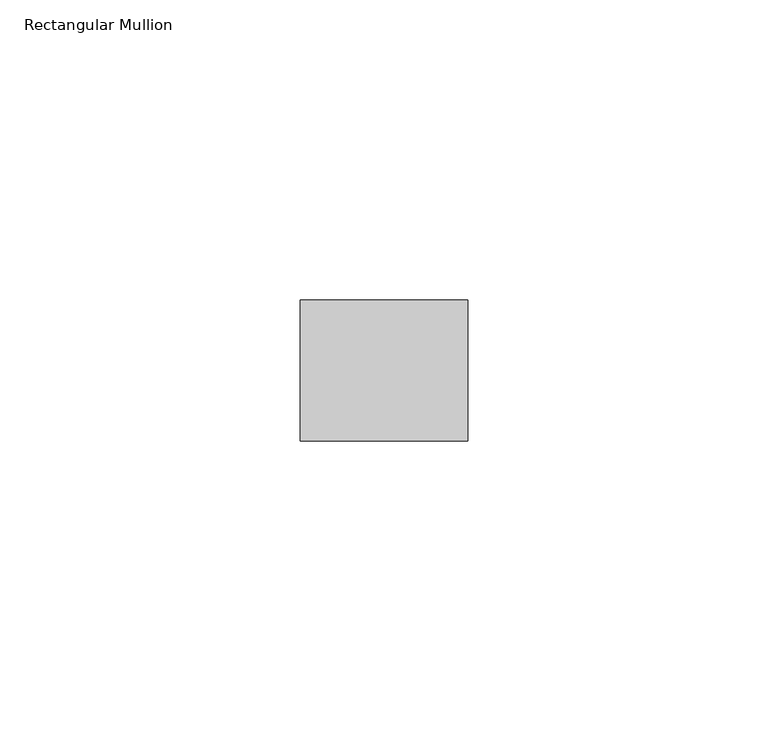
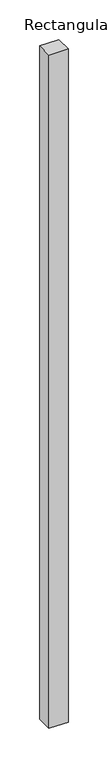
"""IFC4 building model written with IfcOpenShell, lengths in millimetres: member geometry, Rectangular Mullion."""

from ifc_helpers import new_model, si_unit, frame, origin, place, context, project, spatial, polyline, outline, extrude, source, transform, mapped, element, save


def rectangular_mullion_52d3b5d0(model_context):
    return source(origin(), model_context, "Body", "SweptSolid", [
        extrude(outline(polyline([(0.0, -11.7474999), (-27.94, -11.7474999), (-27.94, 11.7474999), (0.0, 11.7474999), (0.0, -11.7474999)])), frame((0.0, 0.0, -1036.9391435), z_axis=(0.0, 0.0, 1.0), x_axis=(1.0, 0.0, 0.0)), (0.0, 0.0, 1.0), 1036.9391435),
    ])


if __name__ == "__main__":
    model = new_model("IFC4")
    model_context = context("Model", 3, world=origin())
    ifc_project = project(units=[si_unit("LENGTHUNIT", "METRE", prefix="MILLI")], contexts=[model_context])
    site = spatial("IfcSite", under=ifc_project)
    building = spatial("IfcBuilding", under=site)
    placement = place(None, origin())
    rectangular_mullion_shape = rectangular_mullion_52d3b5d0(model_context)
    element("IfcMember", 1, ObjectType="Rectangular Mullion", at=placement, inside=building, context=model_context, shape_type="MappedRepresentation", body=[
        mapped(rectangular_mullion_shape, transform((0.0, 0.0, 0.0), x_axis=(1.0, 0.0, 0.0), y_axis=(0.0, 1.0, 0.0), z_axis=(0.0, 0.0, 1.0))),
    ])
    save(model, "model.ifc")
